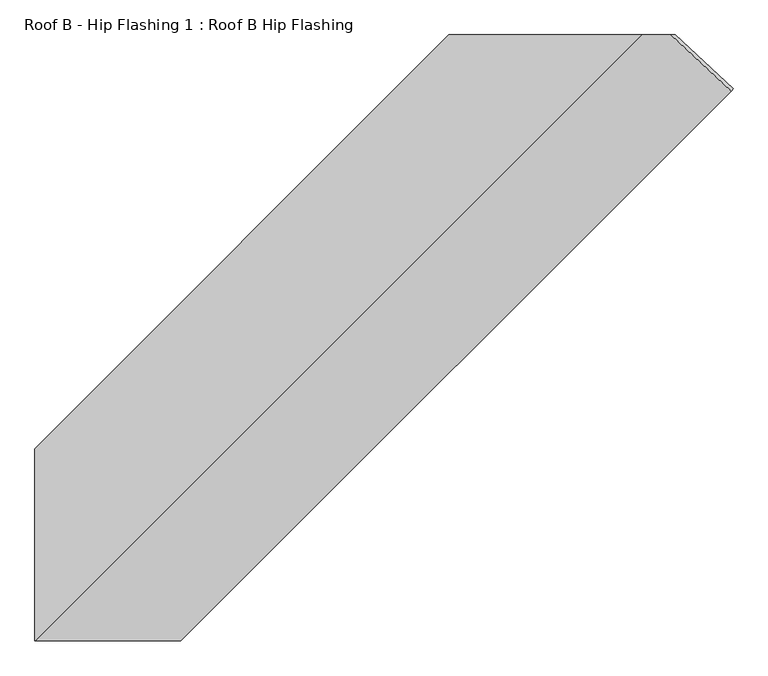
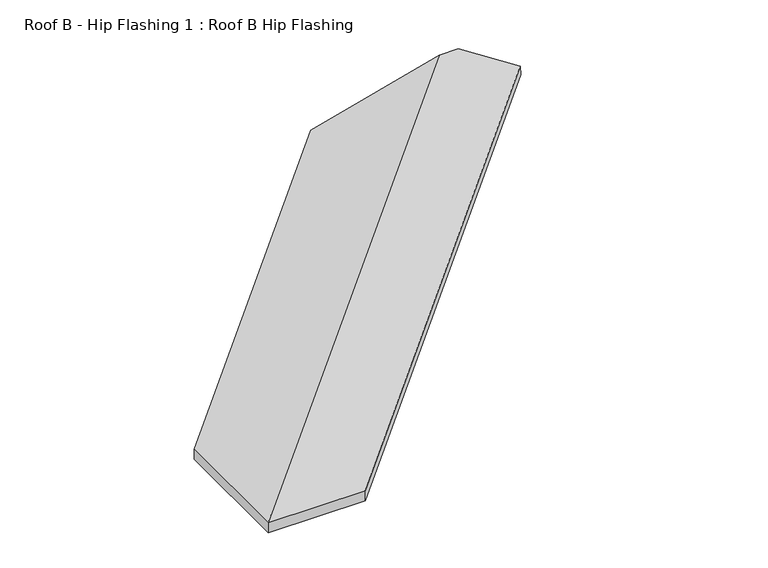
"""IFC4 building model written with IfcOpenShell, lengths in millimetres: proxy geometry, Roof B - Hip Flashing 1 : Roof B Hip Flashing."""

import ifcopenshell
import ifcopenshell.guid

model = None  # the IFC model being written
_history = None  # IfcOwnerHistory: only IFC2X3 demands one
_inside = {}  # id of a spatial element -> (the spatial element, [elements in it])
_under = {}  # id of a project, library or spatial element -> (it, [spatial elements below it])
_declared = {}  # id of a project -> (the project, [libraries it declares])
_typed = {}  # id of a type object -> (the type object, [elements of that type])
_made_of = {}  # id of a material, layer set ... -> (it, [elements and type objects made of it])


def new_model(schema):
    """Start an empty IFC model of exactly this schema.

    Asked for "IFC4X3", IfcOpenShell would pick the latest addendum, in which some entities
    have other attributes; the version numbers below select the first issue.
    IFC2X3 requires an IfcOwnerHistory on every rooted entity: one is made here for all.
    """
    global model, _history
    if schema == "IFC4X3":
        model = ifcopenshell.file(schema_version=(4, 3, 0, 0))
    else:
        model = ifcopenshell.file(schema=schema)
    _inside.clear()
    _under.clear()
    _declared.clear()
    _typed.clear()
    _made_of.clear()
    _history = None
    if model.schema == "IFC2X3":
        org = make("IfcOrganization", Name="unknown")
        user = make(
            "IfcPersonAndOrganization",
            ThePerson=make("IfcPerson", FamilyName="unknown"),
            TheOrganization=org,
        )
        app = make(
            "IfcApplication",
            ApplicationDeveloper=org,
            Version="unknown",
            ApplicationFullName="unknown",
            ApplicationIdentifier="unknown",
        )
        _history = make(
            "IfcOwnerHistory",
            OwningUser=user,
            OwningApplication=app,
            ChangeAction="ADDED",
            CreationDate=0,
        )
    return model


def make(cls, **values):
    """One entity of the class cls with the attributes given. An attribute that is None is left unset."""
    return model.create_entity(
        cls, **{name: value for name, value in values.items() if value is not None}
    )


def rooted(cls, **values):
    """An entity with a GlobalId (a new one), such as an element, a storey or a relation."""
    return make(cls, GlobalId=ifcopenshell.guid.new(), OwnerHistory=_history, **values)


def si_unit(unit_type, name, prefix=None):
    """IfcSIUnit, for example si_unit("LENGTHUNIT", "METRE", prefix="MILLI")."""
    return make("IfcSIUnit", UnitType=unit_type, Prefix=prefix, Name=name)


def assignment(units):
    """IfcUnitAssignment: the units of a project."""
    return None if units is None else make("IfcUnitAssignment", Units=units)


def point(xyz):
    """IfcCartesianPoint."""
    return None if xyz is None else make("IfcCartesianPoint", Coordinates=xyz)


def direction(xyz):
    """IfcDirection."""
    return None if xyz is None else make("IfcDirection", DirectionRatios=xyz)


def frame(location, z_axis=None, x_axis=None):
    """IfcAxis2Placement3D, a coordinate frame: its origin and axes. An axis left out is left unset."""
    return make(
        "IfcAxis2Placement3D",
        Location=point(location),
        Axis=direction(z_axis),
        RefDirection=direction(x_axis),
    )


def origin():
    """The frame at (0, 0, 0) with its axes left unset."""
    return frame((0.0, 0.0, 0.0))


def place(relative_to, where):
    """IfcLocalPlacement: puts the frame where relative to a parent placement (None: the world)."""
    return make(
        "IfcLocalPlacement", PlacementRelTo=relative_to, RelativePlacement=where
    )


def context(
    kind, dimensions, precision=None, world=None, true_north=None, identifier=None
):
    """IfcGeometricRepresentationContext, for example the 3D "Model" context."""
    return make(
        "IfcGeometricRepresentationContext",
        ContextIdentifier=identifier,
        ContextType=kind,
        CoordinateSpaceDimension=dimensions,
        Precision=precision,
        WorldCoordinateSystem=world,
        TrueNorth=true_north,
    )


def project(units=None, contexts=None):
    """IfcProject with its units and contexts."""
    return rooted(
        "IfcProject",
        Name="project",
        RepresentationContexts=contexts,
        UnitsInContext=assignment(units),
    )


def spatial(cls, under=None, at=None, **own):
    """A site, building, storey or space (cls), placed at a placement, below another one or the project."""
    s = rooted(cls, ObjectPlacement=at, **own)
    if under is not None:
        _under.setdefault(under.id(), (under, []))[1].append(s)
    return s


def faces_of(points, faces, orient=None, outer=None):
    """IfcFace entities. A face is a list of loops; a loop is a list of indices into points, from 0.

    orient and outer hold one flag for each loop. By default every Orientation is true, the
    first loop of a face is its IfcFaceOuterBound and the others are IfcFaceBound.
    """
    made = []
    for i, loops in enumerate(faces):
        bounds = []
        for j, loop in enumerate(loops):
            is_outer = j == 0 if outer is None else outer[i][j]
            bounds.append(
                make(
                    "IfcFaceOuterBound" if is_outer else "IfcFaceBound",
                    Bound=make("IfcPolyLoop", Polygon=[points[k] for k in loop]),
                    Orientation=True if orient is None else orient[i][j],
                )
            )
        made.append(make("IfcFace", Bounds=bounds))
    return made


def faceted_brep(points, faces, orient=None, outer=None, voids=None):
    """IfcFacetedBrep: a solid bounded by flat faces; with voids (closed shells), ...WithVoids."""
    shared = [point(p) for p in points]
    hull = make("IfcClosedShell", CfsFaces=faces_of(shared, faces, orient, outer))
    if voids is None:
        return make("IfcFacetedBrep", Outer=hull)
    return make(
        "IfcFacetedBrepWithVoids",
        Outer=hull,
        Voids=[
            make(cls, CfsFaces=faces_of(shared, fs, o, b)) for cls, fs, o, b in voids
        ],
    )


def shape(context_of_items, identifier, shape_type, items):
    """IfcShapeRepresentation: the items that make up one representation, for example the "Body"."""
    return make(
        "IfcShapeRepresentation",
        ContextOfItems=context_of_items,
        RepresentationIdentifier=identifier,
        RepresentationType=shape_type,
        Items=items,
    )


def source(mapping_origin, context_of_items, identifier, shape_type, items):
    """IfcRepresentationMap: a shape defined once, which mapped items show again and again."""
    return make(
        "IfcRepresentationMap",
        MappingOrigin=mapping_origin,
        MappedRepresentation=shape(context_of_items, identifier, shape_type, items),
    )


def transform(
    local_origin,
    x_axis=None,
    y_axis=None,
    z_axis=None,
    scale=None,
    scale2=None,
    scale3=None,
    uniform=True,
):
    """IfcCartesianTransformationOperator3D, or its non-uniform kind. x_axis, y_axis, z_axis: its Axis1, 2, 3."""
    if uniform:
        return make(
            "IfcCartesianTransformationOperator3D",
            Axis1=direction(x_axis),
            Axis2=direction(y_axis),
            LocalOrigin=point(local_origin),
            Scale=scale,
            Axis3=direction(z_axis),
        )
    return make(
        "IfcCartesianTransformationOperator3DnonUniform",
        Axis1=direction(x_axis),
        Axis2=direction(y_axis),
        LocalOrigin=point(local_origin),
        Scale=scale,
        Axis3=direction(z_axis),
        Scale2=scale2,
        Scale3=scale3,
    )


def mapped(mapping_source, mapping_target):
    """IfcMappedItem: shows the shape of a source again, moved by a transform."""
    return make(
        "IfcMappedItem", MappingSource=mapping_source, MappingTarget=mapping_target
    )


def made_of(thing, what):
    """Note that an element or type object is made of a material, layer set ...; save() writes the relation."""
    if what is not None:
        _made_of.setdefault(what.id(), (what, []))[1].append(thing)
    return thing


def element(
    cls,
    number,
    at=None,
    inside=None,
    cuts=None,
    type_object=None,
    material=None,
    context=None,
    identifier="Body",
    shape_type=None,
    held_by="IfcProductDefinitionShape",
    body=None,
    shapes=None,
    **own,
):
    """One element of the class cls, such as IfcWall. Its Tag is "e" and its number.

    at: its placement. inside: the storey or other place that contains it. cuts: it is an
    opening in that element (IfcRelVoidsElement). A single representation is given by context,
    identifier, shape_type and body (its items); several are given by shapes. held_by: the class
    of the entity that holds the representations. save() writes the other relations.
    """
    e = rooted(cls, Tag="e%d" % number, ObjectPlacement=at, **own)
    if body is not None:
        shapes = [shape(context, identifier, shape_type, body)]
    if shapes is not None:
        e.Representation = make(held_by, Representations=shapes)
    if inside is not None:
        _inside.setdefault(inside.id(), (inside, []))[1].append(e)
    if cuts is not None:
        rooted(
            "IfcRelVoidsElement", RelatingBuildingElement=cuts, RelatedOpeningElement=e
        )
    if type_object is not None:
        _typed.setdefault(type_object.id(), (type_object, []))[1].append(e)
    return made_of(e, material)


def aggregate(whole, parts):
    """IfcRelAggregates: a whole, such as a stair, and the parts it consists of."""
    return rooted("IfcRelAggregates", RelatingObject=whole, RelatedObjects=parts)


def save(model, path):
    """Write the relations noted so far, then the file.

    IfcRelAggregates (storeys below a building ...), IfcRelContainedInSpatialStructure (elements
    in a storey), IfcRelDefinesByType, IfcRelAssociatesMaterial and IfcRelDeclares: one each for
    every whole, place, type object, material and project.
    """
    for whole, parts in _under.values():
        aggregate(whole, parts)
    for where, things in _inside.values():
        rooted(
            "IfcRelContainedInSpatialStructure",
            RelatedElements=things,
            RelatingStructure=where,
        )
    for kind, things in _typed.values():
        rooted("IfcRelDefinesByType", RelatedObjects=things, RelatingType=kind)
    for what, things in _made_of.values():
        rooted("IfcRelAssociatesMaterial", RelatedObjects=things, RelatingMaterial=what)
    for by, libraries in _declared.values():
        rooted("IfcRelDeclares", RelatingContext=by, RelatedDefinitions=libraries)
    model.write(path)


def roof_b_hip_flashing_1_roof_b_hip_flashing_5f44ae28(model_context):
    return source(origin(), model_context, "Body", "Brep", [
        faceted_brep([(1006.8170572, -3400.2441419, 3635.261907), (1011.6107982, -3395.4504009, 3599.4809368), (876.6295921, -3269.5112211, 3633.2262383), (866.6979349, -3269.5112211, 3670.2916875), (-614.8642623, -4234.1313734, 3254.8242992), (-614.8642623, -4234.1313734, 3291.543953), (349.75589, -3269.5112211, 3550.0131438), (349.75589, -3269.5112211, 3513.29349), (-614.8642623, -4682.2309265, 3291.543953), (-614.078179, -4682.2309265, 3291.7545833), (798.6415264, -3269.5112211, 3670.2916875), (-275.1697275, -4682.2309265, 3291.7545833), (-275.1697275, -4682.2309265, 3254.6891341), (-614.8642623, -4682.2309265, 3254.6891341), (-614.8642623, -4681.7264836, 3254.8242992), (797.3510002, -3269.5112211, 3633.2262383)], [[[0, 1, 2, 3]], [[4, 5, 6, 7]], [[8, 9, 10, 6, 5]], [[11, 0, 3, 10, 9]], [[1, 0, 11, 12]], [[1, 12, 13, 14, 15, 2]], [[14, 4, 7, 15]], [[11, 9, 8, 13, 12]], [[5, 4, 14, 13, 8]], [[3, 2, 15, 7, 6, 10]]]),
    ])


if __name__ == "__main__":
    model = new_model("IFC4")
    model_context = context("Model", 3, world=origin())
    ifc_project = project(units=[si_unit("LENGTHUNIT", "METRE", prefix="MILLI")], contexts=[model_context])
    site = spatial("IfcSite", under=ifc_project)
    building = spatial("IfcBuilding", under=site)
    placement = place(None, origin())
    roof_b_hip_flashing_1_roof_b_hip_flashing_shape = roof_b_hip_flashing_1_roof_b_hip_flashing_5f44ae28(model_context)
    element("IfcBuildingElementProxy", 1, Name="Roof B - Hip Flashing 1 : Roof B Hip Flashing", ObjectType="Roof B - Hip Flashing 1 : Roof B Hip Flashing", at=placement, inside=building, context=model_context, shape_type="MappedRepresentation", body=[
        mapped(roof_b_hip_flashing_1_roof_b_hip_flashing_shape, transform((0.0, 0.0, 0.0), x_axis=(1.0, 0.0, 0.0), y_axis=(0.0, 1.0, 0.0), z_axis=(0.0, 0.0, 1.0))),
    ])
    save(model, "model.ifc")
